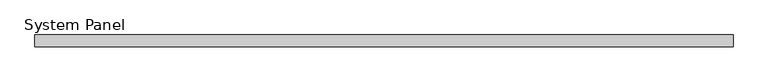
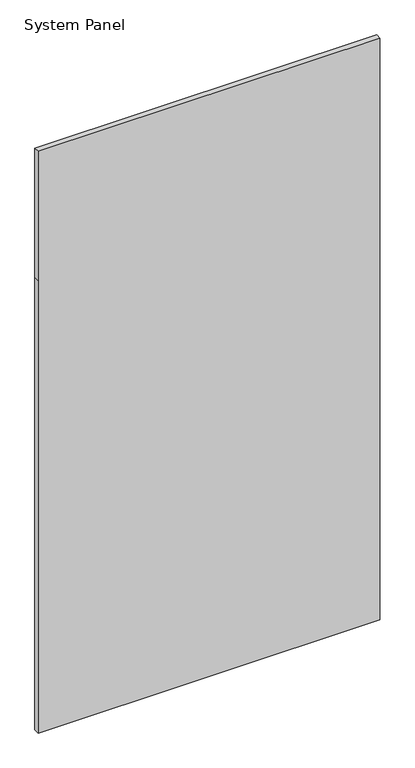
"""IFC4 building model written with IfcOpenShell, lengths in millimetres: plate geometry, System Panel."""

from ifc_helpers import new_model, si_unit, frame, origin, place, context, project, spatial, polyline, outline, extrude, source, transform, mapped, element, save


def system_panel_45f849d8(model_context):
    return source(origin(), model_context, "Body", "SweptSolid", [
        extrude(outline(polyline([(0.0, -762.0), (0.0, 762.0), (2133.6, 762.0), (2743.2, 762.0), (2743.2, -762.0), (2133.6, -762.0), (0.0, -762.0)])), frame((0.0, 19.05, 0.0), z_axis=(0.0, 1.0, 0.0), x_axis=(0.0, 0.0, 1.0)), (0.0, 0.0, 1.0), 25.4),
    ])


if __name__ == "__main__":
    model = new_model("IFC4")
    model_context = context("Model", 3, world=origin())
    ifc_project = project(units=[si_unit("LENGTHUNIT", "METRE", prefix="MILLI")], contexts=[model_context])
    site = spatial("IfcSite", under=ifc_project)
    building = spatial("IfcBuilding", under=site)
    placement = place(None, origin())
    system_panel_shape = system_panel_45f849d8(model_context)
    element("IfcPlate", 1, ObjectType="System Panel", at=placement, inside=building, context=model_context, shape_type="MappedRepresentation", body=[
        mapped(system_panel_shape, transform((0.0, 0.0, 0.0), x_axis=(1.0, 0.0, 0.0), y_axis=(0.0, 1.0, 0.0), z_axis=(0.0, 0.0, 1.0))),
    ])
    save(model, "model.ifc")
